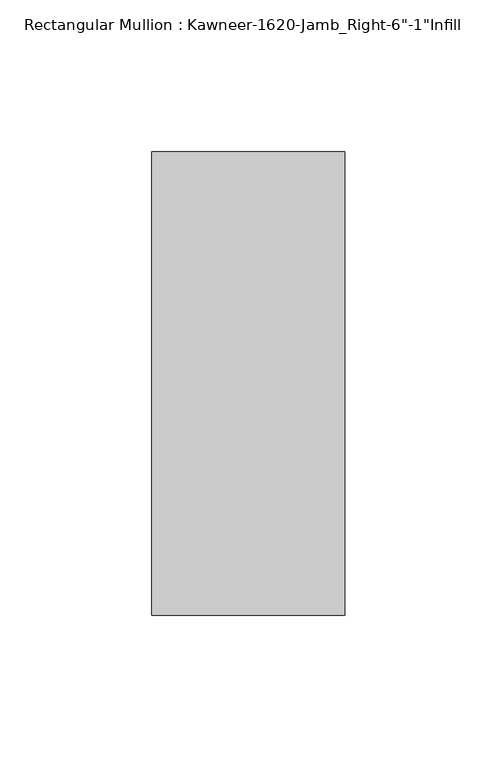
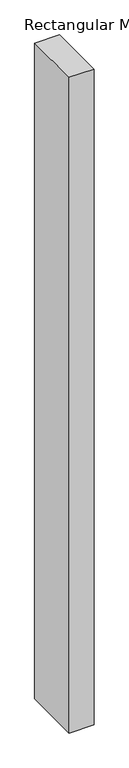
"""IFC4 building model written with IfcOpenShell, lengths in millimetres: member geometry."""

from ifc_helpers import new_model, si_unit, frame, origin, place, context, project, spatial, polyline, outline, extrude, source, transform, mapped, element, save


def member_ddc9a980(model_context):
    return source(origin(), model_context, "Body", "SweptSolid", [
        extrude(outline(polyline([(-63.5, -38.1), (-63.5, 114.3), (0.0, 114.3), (0.0, -38.1), (-63.5, -38.1)])), frame((0.0, 0.0, -1765.3), z_axis=(0.0, 0.0, 1.0), x_axis=(1.0, 0.0, 0.0)), (0.0, 0.0, 1.0), 1765.3),
    ])


if __name__ == "__main__":
    model = new_model("IFC4")
    model_context = context("Model", 3, world=origin())
    ifc_project = project(units=[si_unit("LENGTHUNIT", "METRE", prefix="MILLI")], contexts=[model_context])
    site = spatial("IfcSite", under=ifc_project)
    building = spatial("IfcBuilding", under=site)
    placement = place(None, origin())
    member_shape = member_ddc9a980(model_context)
    element("IfcMember", 1, ObjectType="Rectangular Mullion : Kawneer-1620-Jamb_Right-6\"-1\"Infill", at=placement, inside=building, context=model_context, shape_type="MappedRepresentation", body=[
        mapped(member_shape, transform((0.0, 0.0, 0.0), x_axis=(1.0, 0.0, 0.0), y_axis=(0.0, 1.0, 0.0), z_axis=(0.0, 0.0, 1.0))),
    ])
    save(model, "model.ifc")
